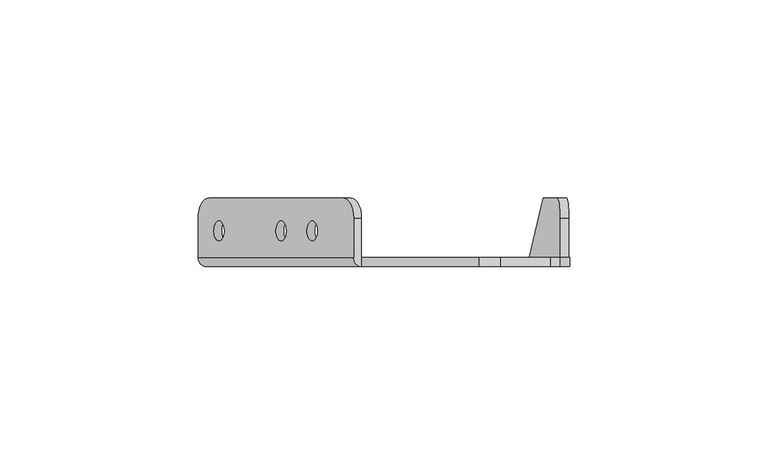
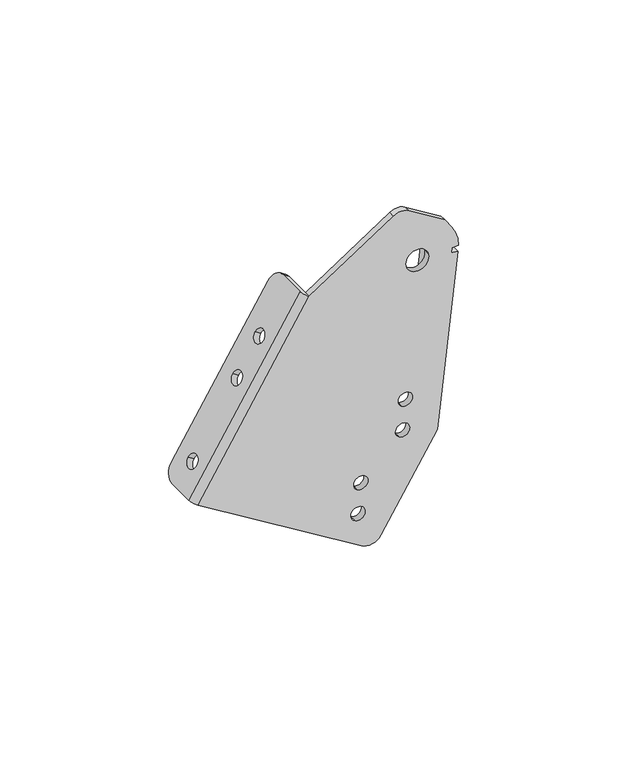
"""IFC4 building model written with IfcOpenShell, lengths in millimetres: proxy geometry."""

from ifc_helpers import new_model, si_unit, frame, origin, place, context, project, spatial, polyline, circle_curve, source, transform, mapped, element, save
from ifc_brep_helpers import plane_surface, cylinder_surface, revolved_surface, advanced_brep


def mechanical_equipment_15874d89(model_context):
    return source(origin(), model_context, "Body", "AdvancedBrep", [
        advanced_brep(
        [(-99.898169, 11.2499985, -86.5196123), (-97.2856762, 16.2499985, -82.2564114), (-63.3232695, 16.2499985, -26.8348008), (-60.7107766, 11.2499985, -22.5715999), (-60.7107766, 1.2499985, -22.5715999), (-99.898169, 1.2499985, -86.5196123), (-94.6731833, 10.4499985, -77.9932106), (-94.6731833, 5.4499985, -77.9932106), (-78.9982264, 10.4499985, -52.4140057), (-78.9982264, 5.4499985, -52.4140057), (-71.1607479, 10.4499985, -39.6244032), (-71.1607479, 5.4499985, -39.6244032), (-62.671849, 11.2499985, -21.3698532), (-65.2843418, 16.2499985, -25.6330541), (-99.2467485, 16.2499985, -81.0546647), (-101.8592414, 11.2499985, -85.3178656), (-101.8592414, 1.2499985, -85.3178656), (-62.671849, 1.2499985, -21.3698532), (-96.6342557, 10.4499985, -76.7914639), (-96.6342557, 5.4499985, -76.7914639), (-80.9592988, 10.4499985, -51.212259), (-80.9592988, 5.4499985, -51.212259), (-73.1218203, 10.4499985, -38.4226565), (-73.1218203, 5.4499985, -38.4226565), (-25.6388057, -1.0500015, -3.014762), (-30.9918873, -1.0500015, -3.0959569), (-60.7107766, -1.0500015, -22.5715999), (-99.898169, -1.0500015, -86.5196123), (-42.3449579, -1.0500015, -121.7882654), (-35.4692643, -1.0500015, -120.1375574), (-15.6295753, -1.0500015, -87.7621274), (-8.3737032, -1.0500015, -24.0781554), (-10.6589184, -1.0500015, -23.817788), (-10.4540243, -1.0500015, -22.0194555), (-8.1296207, -1.0500015, -21.935871), (-10.5289104, -1.0500015, -14.4538615), (-12.956149, -1.0500015, -10.786704), (-18.7307752, -1.0500015, -21.5231663), (-26.5097345, -1.0500015, -23.3907292), (-44.8210199, -1.0500015, -111.4747249), (-42.2085271, -1.0500015, -107.2115241), (-43.8592351, -1.0500015, -100.3358304), (-41.2467422, -1.0500015, -96.0726296), (-29.146063, -1.0500015, -85.89552), (-26.5335701, -1.0500015, -81.6323192), (-28.1842781, -1.0500015, -74.7566255), (-25.5717853, -1.0500015, -70.4934247), (-42.3449579, 1.2499985, -121.7882654), (-25.6388057, 1.2499985, -3.014762), (-12.956149, 1.2499985, -10.786704), (-10.5289104, 1.2499985, -14.4538615), (-8.1296207, 1.2499985, -21.935871), (-10.4540243, 1.2499985, -22.0194555), (-10.6589184, 1.2499985, -23.817788), (-18.4116495, 1.2499985, -91.8626349), (-18.4731502, 1.2499985, -92.40242), (-35.4692643, 1.2499985, -120.1375574), (-30.9918873, 1.2499985, -3.0959569), (-18.7307752, 1.2499985, -21.5231663), (-26.5097345, 1.2499985, -23.3907292), (-44.8210199, 1.2499985, -111.4747249), (-42.2085271, 1.2499985, -107.2115241), (-43.8592351, 1.2499985, -100.3358304), (-41.2467422, 1.2499985, -96.0726296), (-29.146063, 1.2499985, -85.89552), (-26.5335701, 1.2499985, -81.6323192), (-28.1842781, 1.2499985, -74.7566255), (-25.5717853, 1.2499985, -70.4934247), (-18.4731502, 0.9966641, -92.40242), (-15.6295753, 3.2966641, -87.7621274), (-12.4849581, 16.2499985, -60.1621765), (-8.9397192, 16.2499985, -29.0460147), (-8.3737032, 11.2499985, -24.0781554), (-10.6589184, 11.2499985, -23.817788), (-11.2249345, 16.2499985, -28.7856473), (-14.7701733, 16.2499985, -59.9018091)],
        [
            (0, 1, circle_curve(frame((-97.2856762, 11.2499985, -82.2564114), z_axis=(0.8526401643540918, 0.0, -0.5224985647159496), x_axis=(0.0, -1.0, 0.0)), 5.0)),
            (1, 2),
            (2, 3, circle_curve(frame((-63.3232695, 11.2499985, -26.8348008), z_axis=(0.8526401643540918, 0.0, -0.5224985647159496), x_axis=(0.0, -1.0, 0.0)), 5.0)),
            (3, 4),
            (4, 5),
            (5, 0),
            (6, 7, circle_curve(frame((-94.6731833, 7.9499985, -77.9932106), z_axis=(-0.8526401643540918, 0.0, 0.5224985647159496), x_axis=(0.0, -1.0, 0.0)), 2.5)),
            (7, 6, circle_curve(frame((-94.6731833, 7.9499985, -77.9932106), z_axis=(-0.8526401643540918, 0.0, 0.5224985647159496), x_axis=(0.0, -1.0, 0.0)), 2.5)),
            (8, 9, circle_curve(frame((-78.9982264, 7.9499985, -52.4140057), z_axis=(-0.8526401643540918, 0.0, 0.5224985647159496), x_axis=(0.0, -1.0, 0.0)), 2.5)),
            (9, 8, circle_curve(frame((-78.9982264, 7.9499985, -52.4140057), z_axis=(-0.8526401643540918, 0.0, 0.5224985647159496), x_axis=(0.0, -1.0, 0.0)), 2.5)),
            (10, 11, circle_curve(frame((-71.1607479, 7.9499985, -39.6244032), z_axis=(-0.8526401643540918, 0.0, 0.5224985647159496), x_axis=(0.0, -1.0, 0.0)), 2.5)),
            (11, 10, circle_curve(frame((-71.1607479, 7.9499985, -39.6244032), z_axis=(-0.8526401643540918, 0.0, 0.5224985647159496), x_axis=(0.0, -1.0, 0.0)), 2.5)),
            (12, 13, circle_curve(frame((-65.2843418, 11.2499985, -25.6330541), z_axis=(-0.8526401643540918, 0.0, 0.5224985647159496), x_axis=(0.0, -1.0, 0.0)), 5.0)),
            (13, 14),
            (14, 15, circle_curve(frame((-99.2467485, 11.2499985, -81.0546647), z_axis=(-0.8526401643540918, 0.0, 0.5224985647159496), x_axis=(0.0, -1.0, 0.0)), 5.0)),
            (15, 16),
            (16, 17),
            (17, 12),
            (18, 19, circle_curve(frame((-96.6342557, 7.9499985, -76.7914639), z_axis=(0.8526401643540918, 0.0, -0.5224985647159496), x_axis=(0.0, -1.0, 0.0)), 2.5)),
            (19, 18, circle_curve(frame((-96.6342557, 7.9499985, -76.7914639), z_axis=(0.8526401643540918, 0.0, -0.5224985647159496), x_axis=(0.0, -1.0, 0.0)), 2.5)),
            (20, 21, circle_curve(frame((-80.9592988, 7.9499985, -51.212259), z_axis=(0.8526401643540918, 0.0, -0.5224985647159496), x_axis=(0.0, -1.0, 0.0)), 2.5)),
            (21, 20, circle_curve(frame((-80.9592988, 7.9499985, -51.212259), z_axis=(0.8526401643540918, 0.0, -0.5224985647159496), x_axis=(0.0, -1.0, 0.0)), 2.5)),
            (22, 23, circle_curve(frame((-73.1218203, 7.9499985, -38.4226565), z_axis=(0.8526401643540918, 0.0, -0.5224985647159496), x_axis=(0.0, -1.0, 0.0)), 2.5)),
            (23, 22, circle_curve(frame((-73.1218203, 7.9499985, -38.4226565), z_axis=(0.8526401643540918, 0.0, -0.5224985647159496), x_axis=(0.0, -1.0, 0.0)), 2.5)),
            (24, 25, circle_curve(frame((-28.2512985, -1.0500015, -7.2779628), z_axis=(0.0, -1.0, 0.0), x_axis=(0.5224985647159511, 0.0, 0.8526401643540908)), 5.0)),
            (25, 26),
            (26, 27),
            (27, 28),
            (28, 29, circle_curve(frame((-39.7324651, -1.0500015, -117.5250646), z_axis=(0.0, -1.0, 0.0), x_axis=(0.5224985647159511, 0.0, 0.8526401643540908)), 5.0)),
            (29, 30),
            (30, 31),
            (31, 32),
            (32, 33),
            (33, 34),
            (34, 35, circle_curve(frame((-22.6202549, -1.0500015, -22.4569478), z_axis=(0.0, -1.0, 0.0), x_axis=(0.9723699203976774, 0.0, 0.23344536385590253)), 14.5)),
            (35, 36),
            (36, 24),
            (37, 38, circle_curve(frame((-22.6202549, -1.0500015, -22.4569478), z_axis=(0.0, 1.0, 0.0), x_axis=(0.9723699203976774, 0.0, 0.23344536385590253)), 4.0)),
            (38, 37, circle_curve(frame((-22.6202549, -1.0500015, -22.4569478), z_axis=(0.0, 1.0, 0.0), x_axis=(0.9723699203976774, 0.0, 0.23344536385590253)), 4.0)),
            (39, 40, circle_curve(frame((-43.5147735, -1.0500015, -109.3431245), z_axis=(0.0, 1.0, 0.0), x_axis=(0.5224985647159511, 0.0, 0.8526401643540908)), 2.5)),
            (40, 39, circle_curve(frame((-43.5147735, -1.0500015, -109.3431245), z_axis=(0.0, 1.0, 0.0), x_axis=(0.5224985647159511, 0.0, 0.8526401643540908)), 2.5)),
            (41, 42, circle_curve(frame((-42.5529887, -1.0500015, -98.20423), z_axis=(0.0, 1.0, 0.0), x_axis=(0.5224985647159511, 0.0, 0.8526401643540908)), 2.5)),
            (42, 41, circle_curve(frame((-42.5529887, -1.0500015, -98.20423), z_axis=(0.0, 1.0, 0.0), x_axis=(0.5224985647159511, 0.0, 0.8526401643540908)), 2.5)),
            (43, 44, circle_curve(frame((-27.8398165, -1.0500015, -83.7639196), z_axis=(0.0, 1.0, 0.0), x_axis=(0.5224985647159511, 0.0, 0.8526401643540908)), 2.5)),
            (44, 43, circle_curve(frame((-27.8398165, -1.0500015, -83.7639196), z_axis=(0.0, 1.0, 0.0), x_axis=(0.5224985647159511, 0.0, 0.8526401643540908)), 2.5)),
            (45, 46, circle_curve(frame((-26.8780317, -1.0500015, -72.6250251), z_axis=(0.0, 1.0, 0.0), x_axis=(0.5224985647159511, 0.0, 0.8526401643540908)), 2.5)),
            (46, 45, circle_curve(frame((-26.8780317, -1.0500015, -72.6250251), z_axis=(0.0, 1.0, 0.0), x_axis=(0.5224985647159511, 0.0, 0.8526401643540908)), 2.5)),
            (15, 0),
            (5, 47),
            (47, 28),
            (27, 16, circle_curve(frame((-99.898169, 1.2499985, -86.5196123), z_axis=(-0.5224985647159496, 0.0, -0.8526401643540918), x_axis=(0.8526401643540918, 0.0, -0.5224985647159496)), 2.3)),
            (14, 1),
            (13, 2),
            (12, 3),
            (17, 26, circle_curve(frame((-60.7107766, 1.2499985, -22.5715999), z_axis=(0.5224985647159496, 0.0, 0.8526401643540918), x_axis=(0.8526401643540918, 0.0, -0.5224985647159496)), 2.3)),
            (26, 4),
            (6, 18),
            (19, 7),
            (8, 20),
            (21, 9),
            (10, 22),
            (23, 11),
            (48, 49),
            (49, 50),
            (50, 51, circle_curve(frame((-22.6202549, 1.2499985, -22.4569478), z_axis=(0.0, 1.0, 0.0), x_axis=(0.9723699203976774, 0.0, 0.23344536385590253)), 14.5)),
            (51, 52),
            (52, 53),
            (53, 54),
            (54, 55),
            (55, 56),
            (56, 47, circle_curve(frame((-39.7324651, 1.2499985, -117.5250646), z_axis=(0.0, 1.0, 0.0), x_axis=(0.5224985647159511, 0.0, 0.8526401643540908)), 5.0)),
            (4, 57),
            (57, 48, circle_curve(frame((-28.2512985, 1.2499985, -7.2779628), z_axis=(0.0, 1.0, 0.0), x_axis=(0.5224985647159511, 0.0, 0.8526401643540908)), 5.0)),
            (58, 59, circle_curve(frame((-22.6202549, 1.2499985, -22.4569478), z_axis=(0.0, -1.0, 0.0), x_axis=(0.9723699203976774, 0.0, 0.23344536385590253)), 4.0)),
            (59, 58, circle_curve(frame((-22.6202549, 1.2499985, -22.4569478), z_axis=(0.0, -1.0, 0.0), x_axis=(0.9723699203976774, 0.0, 0.23344536385590253)), 4.0)),
            (60, 61, circle_curve(frame((-43.5147735, 1.2499985, -109.3431245), z_axis=(0.0, -1.0, 0.0), x_axis=(0.5224985647159511, 0.0, 0.8526401643540908)), 2.5)),
            (61, 60, circle_curve(frame((-43.5147735, 1.2499985, -109.3431245), z_axis=(0.0, -1.0, 0.0), x_axis=(0.5224985647159511, 0.0, 0.8526401643540908)), 2.5)),
            (62, 63, circle_curve(frame((-42.5529887, 1.2499985, -98.20423), z_axis=(0.0, -1.0, 0.0), x_axis=(0.5224985647159511, 0.0, 0.8526401643540908)), 2.5)),
            (63, 62, circle_curve(frame((-42.5529887, 1.2499985, -98.20423), z_axis=(0.0, -1.0, 0.0), x_axis=(0.5224985647159511, 0.0, 0.8526401643540908)), 2.5)),
            (64, 65, circle_curve(frame((-27.8398165, 1.2499985, -83.7639196), z_axis=(0.0, -1.0, 0.0), x_axis=(0.5224985647159511, 0.0, 0.8526401643540908)), 2.5)),
            (65, 64, circle_curve(frame((-27.8398165, 1.2499985, -83.7639196), z_axis=(0.0, -1.0, 0.0), x_axis=(0.5224985647159511, 0.0, 0.8526401643540908)), 2.5)),
            (66, 67, circle_curve(frame((-26.8780317, 1.2499985, -72.6250251), z_axis=(0.0, -1.0, 0.0), x_axis=(0.5224985647159511, 0.0, 0.8526401643540908)), 2.5)),
            (67, 66, circle_curve(frame((-26.8780317, 1.2499985, -72.6250251), z_axis=(0.0, -1.0, 0.0), x_axis=(0.5224985647159511, 0.0, 0.8526401643540908)), 2.5)),
            (37, 58),
            (59, 38),
            (24, 48),
            (57, 25),
            (56, 29),
            (55, 68),
            (68, 69),
            (69, 30),
            (33, 52),
            (51, 34),
            (50, 35),
            (49, 36),
            (39, 60),
            (61, 40),
            (41, 62),
            (63, 42),
            (43, 64),
            (65, 44),
            (45, 66),
            (67, 46),
            (54, 68),
            (32, 53),
            (70, 71),
            (71, 72, circle_curve(frame((-8.9397192, 11.2499985, -29.0460147), z_axis=(0.9935718556765876, 0.0, -0.1132032137679061), x_axis=(-0.04784174542620942, 0.9063077870360066, -0.41990161056189146)), 5.0)),
            (72, 31),
            (69, 70),
            (73, 74, circle_curve(frame((-11.2249345, 11.2499985, -28.7856473), z_axis=(-0.9935718556765876, 0.0, 0.1132032137679061), x_axis=(-0.04784174542620942, 0.9063077870360066, -0.41990161056189146)), 5.0)),
            (74, 75),
            (75, 54),
            (53, 73),
            (75, 70),
            (74, 71),
            (73, 72),
        ],
        [
            plane_surface(frame((-42.4233269, -1.0500015, 7.2708058), z_axis=(0.8526401643540918, 0.0, -0.5224985647159496), x_axis=(-0.5224985647159496, 0.0, -0.8526401643540918))),
            plane_surface(frame((-44.3843992, -1.0500015, 8.4725525), z_axis=(-0.8526401643540918, 0.0, 0.5224985647159496), x_axis=(0.5224985647159496, 0.0, 0.8526401643540918))),
            plane_surface(frame((-60.7107766, -1.0500015, -22.5715999), z_axis=(0.0, -1.0, 0.0), x_axis=(-0.8526401643540918, 0.0, 0.5224985647159496))),
            plane_surface(frame((-99.898169, -1.0500015, -86.5196123), z_axis=(-0.5224985647159496, 0.0, -0.8526401643540918), x_axis=(-0.8526401643540918, 0.0, 0.5224985647159496))),
            cylinder_surface(frame((-99.2467485, 11.2499985, -81.0546647), z_axis=(0.8526401643540918, 0.0, -0.5224985647159496), x_axis=(0.0, -1.0, 0.0)), 5.0),
            plane_surface(frame((-97.2856762, 16.2499985, -82.2564114), z_axis=(0.0, 1.0, 0.0), x_axis=(-0.8526401643540918, 0.0, 0.5224985647159496))),
            cylinder_surface(frame((-65.2843418, 11.2499985, -25.6330541), z_axis=(0.8526401643540918, 0.0, -0.5224985647159496), x_axis=(0.0, -1.0, 0.0)), 5.0),
            plane_surface(frame((-60.7107766, 11.2499985, -22.5715999), z_axis=(0.5224985647159496, 0.0, 0.8526401643540918), x_axis=(-0.8526401643540918, 0.0, 0.5224985647159496))),
            revolved_surface(polyline([(-96.63425572666262, 5.4499985, -76.79146394350943), (-94.67318333215098, 5.4499985, -77.99321065246562)]), (-66.962378, 7.9499985, -94.974414), (-0.8526401643540918, 0.0, 0.5224985647159496)),
            revolved_surface(polyline([(-80.95929878211228, 5.4499985, -51.2122589708099), (-78.99822638760065, 5.4499985, -52.41400567976609)]), (-51.2874211, 7.9499985, -69.395209), (-0.8526401643540918, 0.0, 0.5224985647159496)),
            revolved_surface(polyline([(-73.12182032666261, 5.4499985, -38.422656543509426), (-71.16074793215098, 5.4499985, -39.62440325246562)]), (-43.4499426, 7.9499985, -56.6056066), (-0.8526401643540918, 0.0, 0.5224985647159496)),
            plane_surface(frame((-18.7307752, 1.2499985, -21.5231663), z_axis=(0.0, 1.0000000000000002, 0.0), x_axis=(-0.23344536385590242, 0.0, 0.9723699203976774))),
            revolved_surface(polyline([(-18.73077521840929, 1.2499985, -21.52316634457639), (-18.73077521840929, -1.0500014999999998, -21.52316634457639)]), (-22.6202549, 1.2499985, -22.4569478), (0.0, 1.0, 0.0)),
            cylinder_surface(frame((-28.2512985, 1.2499985, -7.2779628), z_axis=(0.0, -1.0, 0.0), x_axis=(0.5224985647159511, 0.0, 0.8526401643540908)), 5.0),
            cylinder_surface(frame((-39.7324651, 1.2499985, -117.5250646), z_axis=(0.0, -1.0, 0.0), x_axis=(0.5224985647159511, 0.0, 0.8526401643540908)), 5.0),
            plane_surface(frame((-35.4692643, -1.0500015, -120.1375574), z_axis=(0.8526401643540835, 0.0, -0.5224985647159631), x_axis=(0.0, 1.0, 0.0))),
            plane_surface(frame((-10.4540243, -1.0500015, -22.0194555), z_axis=(0.03593633127002249, 0.0, -0.9993540814420339), x_axis=(0.0, 1.0, 0.0))),
            cylinder_surface(frame((-22.6202549, 1.2499985, -22.4569478), z_axis=(0.0, -1.0, 0.0), x_axis=(0.9723699203976774, 0.0, 0.23344536385590253)), 14.5),
            plane_surface(frame((-10.5289104, -1.0500015, -14.4538615), z_axis=(0.8338858220672357, 0.0, 0.5519369853119563), x_axis=(0.0, 1.0, 0.0))),
            plane_surface(frame((-12.956149, -1.0500015, -10.786704), z_axis=(0.5224985647159471, 0.0, 0.8526401643540933), x_axis=(0.0, 1.0, 0.0))),
            revolved_surface(polyline([(-42.20852708821012, 1.2499985, -107.21152408911477), (-42.20852708821012, -1.0500014999999998, -107.21152408911477)]), (-43.5147735, 1.2499985, -109.3431245), (0.0, 1.0, 0.0)),
            revolved_surface(polyline([(-41.24674228821012, 1.2499985, -96.07262958911477), (-41.24674228821012, -1.0500014999999998, -96.07262958911477)]), (-42.5529887, 1.2499985, -98.20423), (0.0, 1.0, 0.0)),
            revolved_surface(polyline([(-26.533570088210123, 1.2499985, -81.63231918911477), (-26.533570088210123, -1.0500014999999998, -81.63231918911477)]), (-27.8398165, 1.2499985, -83.7639196), (0.0, 1.0, 0.0)),
            revolved_surface(polyline([(-25.571785288210123, 1.2499985, -70.49342468911478), (-25.571785288210123, -1.0500014999999998, -70.49342468911478)]), (-26.8780317, 1.2499985, -72.6250251), (0.0, 1.0, 0.0)),
            plane_surface(frame((-18.4731502, -1.0500015, -92.40242), z_axis=(0.9935718556765876, 0.0, -0.11320321376790621), x_axis=(0.0, 1.0, 0.0))),
            plane_surface(frame((-30.9918873, -1.0500015, -3.0959569), z_axis=(-0.5481177503560227, 0.0, 0.8364011787083114), x_axis=(0.0, 1.0, 0.0))),
            plane_surface(frame((-16.1264342, -1.0500015, -92.1230023), z_axis=(0.9935718556765876, 0.0, -0.11320321376790604), x_axis=(-0.11320321376790604, 0.0, -0.9935718556765876))),
            plane_surface(frame((-18.4116495, -1.0500015, -91.8626349), z_axis=(-0.9935718556765876, 0.0, 0.11320321376790604), x_axis=(0.11320321376790604, 0.0, 0.9935718556765876))),
            plane_surface(frame((-16.6847939, -1.0500015, -97.0236623), z_axis=(-0.04784174542620893, 0.9063077870360067, -0.4199016105618916), x_axis=(-0.9935718556765878, 0.0, 0.11320321376790476))),
            plane_surface(frame((-12.4849581, 16.2499985, -60.1621765), z_axis=(0.0, 1.0000000000000002, 0.0), x_axis=(-0.9935718556765876, 0.0, 0.11320321376790721))),
            cylinder_surface(frame((-11.2249345, 11.2499985, -28.7856473), z_axis=(0.9935718556765876, 0.0, -0.1132032137679061), x_axis=(-0.04784174542620942, 0.9063077870360066, -0.41990161056189146)), 5.0),
            plane_surface(frame((-8.3737032, 11.2499985, -24.0781554), z_axis=(0.11320321376790476, 1.4450666034502736e-12, 0.9935718556765878), x_axis=(-0.9935718556765878, 0.0, 0.11320321376790476))),
            cylinder_surface(frame((-60.7107766, 1.2499985, -22.5715999), z_axis=(-0.5224985647159496, 0.0, -0.8526401643540918), x_axis=(0.8526401643540918, 0.0, -0.5224985647159496)), 2.3),
        ],
        [
            (0, [[1, 2, 3, 4, 5, 6], [7, 8], [9, 10], [11, 12]]),
            (1, [[13, 14, 15, 16, 17, 18], [19, 20], [21, 22], [23, 24]]),
            (2, [[25, 26, 27, 28, 29, 30, 31, 32, 33, 34, 35, 36, 37], [38, 39], [40, 41], [42, 43], [44, 45], [46, 47]]),
            (3, [[48, -6, 49, 50, -28, 51, -16]]),
            (4, [[-1, -48, -15, 52]]),
            (5, [[-2, -52, -14, 53]]),
            (6, [[-3, -53, -13, 54]]),
            (7, [[-54, -18, 55, 56, -4]]),
            (8, [[-7, 57, -20, 58]]),
            (8, [[-8, -58, -19, -57]]),
            (9, [[-9, 59, -22, 60]]),
            (9, [[-10, -60, -21, -59]]),
            (10, [[-11, 61, -24, 62]]),
            (10, [[-12, -62, -23, -61]]),
            (11, [[63, 64, 65, 66, 67, 68, 69, 70, 71, -49, -5, 72, 73], [74, 75], [76, 77], [78, 79], [80, 81], [82, 83]]),
            (12, [[-38, 84, -75, 85]]),
            (12, [[-39, -85, -74, -84]]),
            (13, [[-25, 86, -73, 87]]),
            (14, [[-29, -50, -71, 88]]),
            (15, [[-30, -88, -70, 89, 90, 91]]),
            (16, [[-34, 92, -66, 93]]),
            (17, [[-35, -93, -65, 94]]),
            (18, [[-36, -94, -64, 95]]),
            (19, [[-37, -95, -63, -86]]),
            (20, [[-40, 96, -77, 97]]),
            (20, [[-41, -97, -76, -96]]),
            (21, [[-42, 98, -79, 99]]),
            (21, [[-43, -99, -78, -98]]),
            (22, [[-44, 100, -81, 101]]),
            (22, [[-45, -101, -80, -100]]),
            (23, [[-46, 102, -83, 103]]),
            (23, [[-47, -103, -82, -102]]),
            (24, [[-69, 104, -89]]),
            (24, [[-92, -33, 105, -67]]),
            (25, [[-26, -87, -72, -56]]),
            (26, [[106, 107, 108, -31, -91, 109]]),
            (27, [[110, 111, 112, -68, 113]]),
            (28, [[114, -109, -90, -104, -112]]),
            (29, [[-106, -114, -111, 115]]),
            (30, [[-107, -115, -110, 116]]),
            (31, [[-108, -116, -113, -105, -32]]),
            (32, [[-17, -51, -27, -55]]),
        ],
    ),
    ])


if __name__ == "__main__":
    model = new_model("IFC4")
    model_context = context("Model", 3, world=origin())
    ifc_project = project(units=[si_unit("LENGTHUNIT", "METRE", prefix="MILLI")], contexts=[model_context])
    site = spatial("IfcSite", under=ifc_project)
    building = spatial("IfcBuilding", under=site)
    placement = place(None, origin())
    mechanical_equipment_shape = mechanical_equipment_15874d89(model_context)
    element("IfcBuildingElementProxy", 1, Name="Mechanical Equipment", at=placement, inside=building, context=model_context, shape_type="MappedRepresentation", body=[
        mapped(mechanical_equipment_shape, transform((0.0, 0.0, 0.0), x_axis=(1.0, 0.0, 0.0), y_axis=(0.0, 1.0, 0.0), z_axis=(0.0, 0.0, 1.0))),
    ])
    save(model, "model.ifc")
